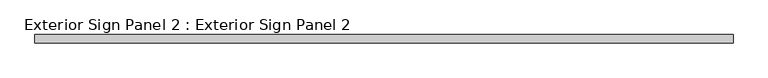
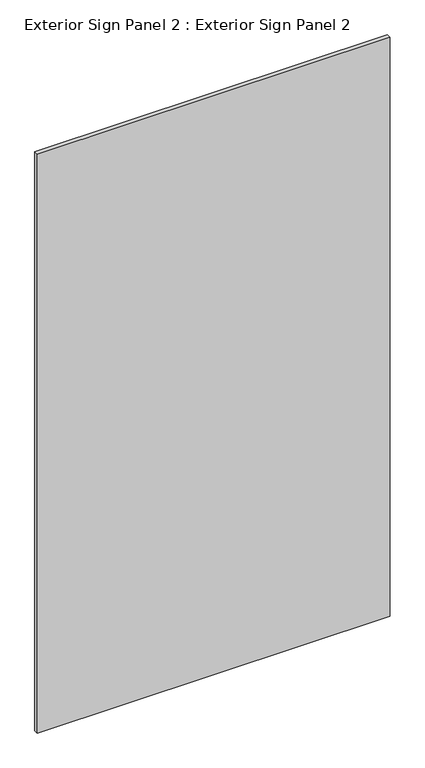
"""IFC4 building model written with IfcOpenShell, lengths in millimetres: proxy geometry, Exterior Sign Panel 2 : Exterior Sign Panel 2."""

from ifc_helpers import new_model, si_unit, frame, origin, place, context, project, spatial, polyline, outline, extrude, source, transform, mapped, element, save


def exterior_sign_panel_2_exterior_sign_panel_2_4f354513(model_context):
    return source(origin(), model_context, "Body", "SweptSolid", [
        extrude(outline(polyline([(228988.1228488, 157576.0096581), (227934.0228488, 157576.0096581), (227934.0228488, 157588.7096581), (228988.1228488, 157588.7096581), (228988.1228488, 157576.0096581)])), frame((0.0, 0.0, 677.1592564), z_axis=(0.0, 0.0, 1.0), x_axis=(1.0, 0.0, 0.0)), (0.0, 0.0, 1.0), 1828.8),
    ])


if __name__ == "__main__":
    model = new_model("IFC4")
    model_context = context("Model", 3, world=origin())
    ifc_project = project(units=[si_unit("LENGTHUNIT", "METRE", prefix="MILLI")], contexts=[model_context])
    site = spatial("IfcSite", under=ifc_project)
    building = spatial("IfcBuilding", under=site)
    placement = place(None, origin())
    exterior_sign_panel_2_exterior_sign_panel_2_shape = exterior_sign_panel_2_exterior_sign_panel_2_4f354513(model_context)
    element("IfcBuildingElementProxy", 1, Name="Exterior Sign Panel 2 : Exterior Sign Panel 2", ObjectType="Exterior Sign Panel 2 : Exterior Sign Panel 2", at=placement, inside=building, context=model_context, shape_type="MappedRepresentation", body=[
        mapped(exterior_sign_panel_2_exterior_sign_panel_2_shape, transform((0.0, 0.0, 0.0), x_axis=(1.0, 0.0, 0.0), y_axis=(0.0, 1.0, 0.0), z_axis=(0.0, 0.0, 1.0))),
    ])
    save(model, "model.ifc")
